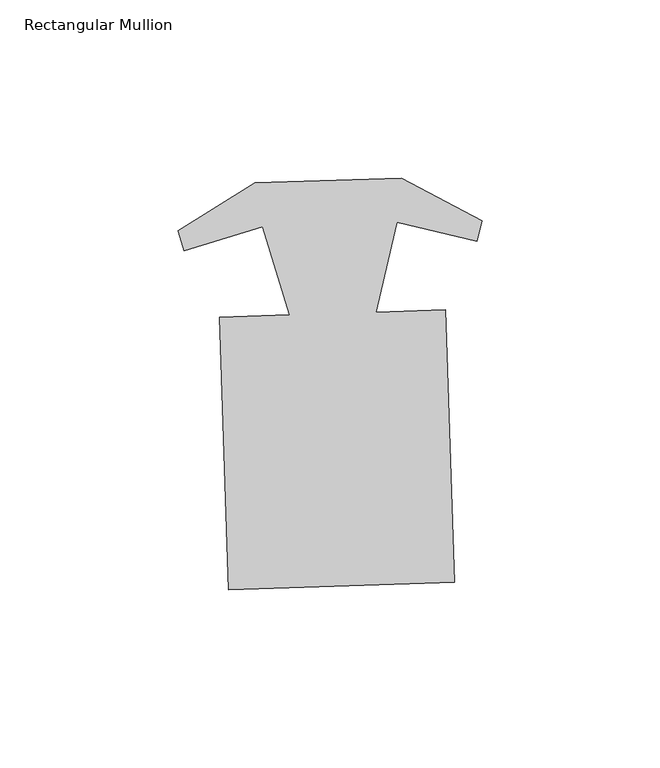
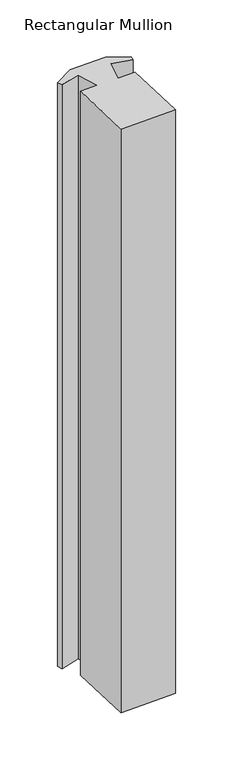
"""IFC4 building model written with IfcOpenShell, lengths in millimetres: member geometry, Rectangular Mullion."""

import ifcopenshell
import ifcopenshell.guid

model = None  # the IFC model being written
_history = None  # IfcOwnerHistory: only IFC2X3 demands one
_inside = {}  # id of a spatial element -> (the spatial element, [elements in it])
_under = {}  # id of a project, library or spatial element -> (it, [spatial elements below it])
_declared = {}  # id of a project -> (the project, [libraries it declares])
_typed = {}  # id of a type object -> (the type object, [elements of that type])
_made_of = {}  # id of a material, layer set ... -> (it, [elements and type objects made of it])


def new_model(schema):
    """Start an empty IFC model of exactly this schema.

    Asked for "IFC4X3", IfcOpenShell would pick the latest addendum, in which some entities
    have other attributes; the version numbers below select the first issue.
    IFC2X3 requires an IfcOwnerHistory on every rooted entity: one is made here for all.
    """
    global model, _history
    if schema == "IFC4X3":
        model = ifcopenshell.file(schema_version=(4, 3, 0, 0))
    else:
        model = ifcopenshell.file(schema=schema)
    _inside.clear()
    _under.clear()
    _declared.clear()
    _typed.clear()
    _made_of.clear()
    _history = None
    if model.schema == "IFC2X3":
        org = make("IfcOrganization", Name="unknown")
        user = make(
            "IfcPersonAndOrganization",
            ThePerson=make("IfcPerson", FamilyName="unknown"),
            TheOrganization=org,
        )
        app = make(
            "IfcApplication",
            ApplicationDeveloper=org,
            Version="unknown",
            ApplicationFullName="unknown",
            ApplicationIdentifier="unknown",
        )
        _history = make(
            "IfcOwnerHistory",
            OwningUser=user,
            OwningApplication=app,
            ChangeAction="ADDED",
            CreationDate=0,
        )
    return model


def make(cls, **values):
    """One entity of the class cls with the attributes given. An attribute that is None is left unset."""
    return model.create_entity(
        cls, **{name: value for name, value in values.items() if value is not None}
    )


def rooted(cls, **values):
    """An entity with a GlobalId (a new one), such as an element, a storey or a relation."""
    return make(cls, GlobalId=ifcopenshell.guid.new(), OwnerHistory=_history, **values)


def si_unit(unit_type, name, prefix=None):
    """IfcSIUnit, for example si_unit("LENGTHUNIT", "METRE", prefix="MILLI")."""
    return make("IfcSIUnit", UnitType=unit_type, Prefix=prefix, Name=name)


def assignment(units):
    """IfcUnitAssignment: the units of a project."""
    return None if units is None else make("IfcUnitAssignment", Units=units)


def point(xyz):
    """IfcCartesianPoint."""
    return None if xyz is None else make("IfcCartesianPoint", Coordinates=xyz)


def direction(xyz):
    """IfcDirection."""
    return None if xyz is None else make("IfcDirection", DirectionRatios=xyz)


def frame(location, z_axis=None, x_axis=None):
    """IfcAxis2Placement3D, a coordinate frame: its origin and axes. An axis left out is left unset."""
    return make(
        "IfcAxis2Placement3D",
        Location=point(location),
        Axis=direction(z_axis),
        RefDirection=direction(x_axis),
    )


def origin():
    """The frame at (0, 0, 0) with its axes left unset."""
    return frame((0.0, 0.0, 0.0))


def place(relative_to, where):
    """IfcLocalPlacement: puts the frame where relative to a parent placement (None: the world)."""
    return make(
        "IfcLocalPlacement", PlacementRelTo=relative_to, RelativePlacement=where
    )


def context(
    kind, dimensions, precision=None, world=None, true_north=None, identifier=None
):
    """IfcGeometricRepresentationContext, for example the 3D "Model" context."""
    return make(
        "IfcGeometricRepresentationContext",
        ContextIdentifier=identifier,
        ContextType=kind,
        CoordinateSpaceDimension=dimensions,
        Precision=precision,
        WorldCoordinateSystem=world,
        TrueNorth=true_north,
    )


def project(units=None, contexts=None):
    """IfcProject with its units and contexts."""
    return rooted(
        "IfcProject",
        Name="project",
        RepresentationContexts=contexts,
        UnitsInContext=assignment(units),
    )


def spatial(cls, under=None, at=None, **own):
    """A site, building, storey or space (cls), placed at a placement, below another one or the project."""
    s = rooted(cls, ObjectPlacement=at, **own)
    if under is not None:
        _under.setdefault(under.id(), (under, []))[1].append(s)
    return s


def polyline(points):
    """IfcPolyline through the points."""
    return make("IfcPolyline", Points=[point(p) for p in points])


def outline(outer, holes=None, kind="AREA"):
    """IfcArbitraryClosedProfileDef: a profile drawn as a closed curve; with holes, ...WithVoids."""
    if holes is None:
        return make("IfcArbitraryClosedProfileDef", ProfileType=kind, OuterCurve=outer)
    return make(
        "IfcArbitraryProfileDefWithVoids",
        ProfileType=kind,
        OuterCurve=outer,
        InnerCurves=holes,
    )


def extrude(swept, where, along, depth):
    """IfcExtrudedAreaSolid: the profile swept, set in the frame where, extruded along a direction by depth."""
    return make(
        "IfcExtrudedAreaSolid",
        SweptArea=swept,
        Position=where,
        ExtrudedDirection=direction(along),
        Depth=depth,
    )


def shape(context_of_items, identifier, shape_type, items):
    """IfcShapeRepresentation: the items that make up one representation, for example the "Body"."""
    return make(
        "IfcShapeRepresentation",
        ContextOfItems=context_of_items,
        RepresentationIdentifier=identifier,
        RepresentationType=shape_type,
        Items=items,
    )


def source(mapping_origin, context_of_items, identifier, shape_type, items):
    """IfcRepresentationMap: a shape defined once, which mapped items show again and again."""
    return make(
        "IfcRepresentationMap",
        MappingOrigin=mapping_origin,
        MappedRepresentation=shape(context_of_items, identifier, shape_type, items),
    )


def transform(
    local_origin,
    x_axis=None,
    y_axis=None,
    z_axis=None,
    scale=None,
    scale2=None,
    scale3=None,
    uniform=True,
):
    """IfcCartesianTransformationOperator3D, or its non-uniform kind. x_axis, y_axis, z_axis: its Axis1, 2, 3."""
    if uniform:
        return make(
            "IfcCartesianTransformationOperator3D",
            Axis1=direction(x_axis),
            Axis2=direction(y_axis),
            LocalOrigin=point(local_origin),
            Scale=scale,
            Axis3=direction(z_axis),
        )
    return make(
        "IfcCartesianTransformationOperator3DnonUniform",
        Axis1=direction(x_axis),
        Axis2=direction(y_axis),
        LocalOrigin=point(local_origin),
        Scale=scale,
        Axis3=direction(z_axis),
        Scale2=scale2,
        Scale3=scale3,
    )


def mapped(mapping_source, mapping_target):
    """IfcMappedItem: shows the shape of a source again, moved by a transform."""
    return make(
        "IfcMappedItem", MappingSource=mapping_source, MappingTarget=mapping_target
    )


def made_of(thing, what):
    """Note that an element or type object is made of a material, layer set ...; save() writes the relation."""
    if what is not None:
        _made_of.setdefault(what.id(), (what, []))[1].append(thing)
    return thing


def element(
    cls,
    number,
    at=None,
    inside=None,
    cuts=None,
    type_object=None,
    material=None,
    context=None,
    identifier="Body",
    shape_type=None,
    held_by="IfcProductDefinitionShape",
    body=None,
    shapes=None,
    **own,
):
    """One element of the class cls, such as IfcWall. Its Tag is "e" and its number.

    at: its placement. inside: the storey or other place that contains it. cuts: it is an
    opening in that element (IfcRelVoidsElement). A single representation is given by context,
    identifier, shape_type and body (its items); several are given by shapes. held_by: the class
    of the entity that holds the representations. save() writes the other relations.
    """
    e = rooted(cls, Tag="e%d" % number, ObjectPlacement=at, **own)
    if body is not None:
        shapes = [shape(context, identifier, shape_type, body)]
    if shapes is not None:
        e.Representation = make(held_by, Representations=shapes)
    if inside is not None:
        _inside.setdefault(inside.id(), (inside, []))[1].append(e)
    if cuts is not None:
        rooted(
            "IfcRelVoidsElement", RelatingBuildingElement=cuts, RelatedOpeningElement=e
        )
    if type_object is not None:
        _typed.setdefault(type_object.id(), (type_object, []))[1].append(e)
    return made_of(e, material)


def aggregate(whole, parts):
    """IfcRelAggregates: a whole, such as a stair, and the parts it consists of."""
    return rooted("IfcRelAggregates", RelatingObject=whole, RelatedObjects=parts)


def save(model, path):
    """Write the relations noted so far, then the file.

    IfcRelAggregates (storeys below a building ...), IfcRelContainedInSpatialStructure (elements
    in a storey), IfcRelDefinesByType, IfcRelAssociatesMaterial and IfcRelDeclares: one each for
    every whole, place, type object, material and project.
    """
    for whole, parts in _under.values():
        aggregate(whole, parts)
    for where, things in _inside.values():
        rooted(
            "IfcRelContainedInSpatialStructure",
            RelatedElements=things,
            RelatingStructure=where,
        )
    for kind, things in _typed.values():
        rooted("IfcRelDefinesByType", RelatedObjects=things, RelatingType=kind)
    for what, things in _made_of.values():
        rooted("IfcRelAssociatesMaterial", RelatedObjects=things, RelatingMaterial=what)
    for by, libraries in _declared.values():
        rooted("IfcRelDeclares", RelatingContext=by, RelatedDefinitions=libraries)
    model.write(path)


def rectangular_mullion_b01affb0(model_context):
    return source(origin(), model_context, "Body", "SweptSolid", [
        extrude(outline(polyline([(34.4413672, -82.2616258), (-29.0251758, -84.3226722), (-31.5091489, -7.8327945), (-11.934479, -7.1971162), (-19.4476589, 17.5938811), (-41.6035387, 10.8793021), (-43.2888335, 16.4402149), (-21.5888206, 29.9262735), (19.6081352, 31.2641254), (42.1374109, 19.2143923), (40.8164626, 13.5558531), (18.2716183, 18.818797), (12.3827243, -6.4074264), (31.9573942, -5.7717481), (34.4413672, -82.2616258)])), frame((0.0, 0.0, -706.224606), z_axis=(0.0, 0.0, 1.0), x_axis=(1.0, 0.0, 0.0)), (0.0, 0.0, 1.0), 706.224606),
    ])


if __name__ == "__main__":
    model = new_model("IFC4")
    model_context = context("Model", 3, world=origin())
    ifc_project = project(units=[si_unit("LENGTHUNIT", "METRE", prefix="MILLI")], contexts=[model_context])
    site = spatial("IfcSite", under=ifc_project)
    building = spatial("IfcBuilding", under=site)
    placement = place(None, origin())
    rectangular_mullion_shape = rectangular_mullion_b01affb0(model_context)
    element("IfcMember", 1, ObjectType="Rectangular Mullion", at=placement, inside=building, context=model_context, shape_type="MappedRepresentation", body=[
        mapped(rectangular_mullion_shape, transform((0.0, 0.0, 0.0), x_axis=(1.0, 0.0, 0.0), y_axis=(0.0, 1.0, 0.0), z_axis=(0.0, 0.0, 1.0))),
    ])
    save(model, "model.ifc")
